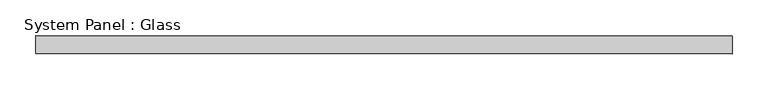
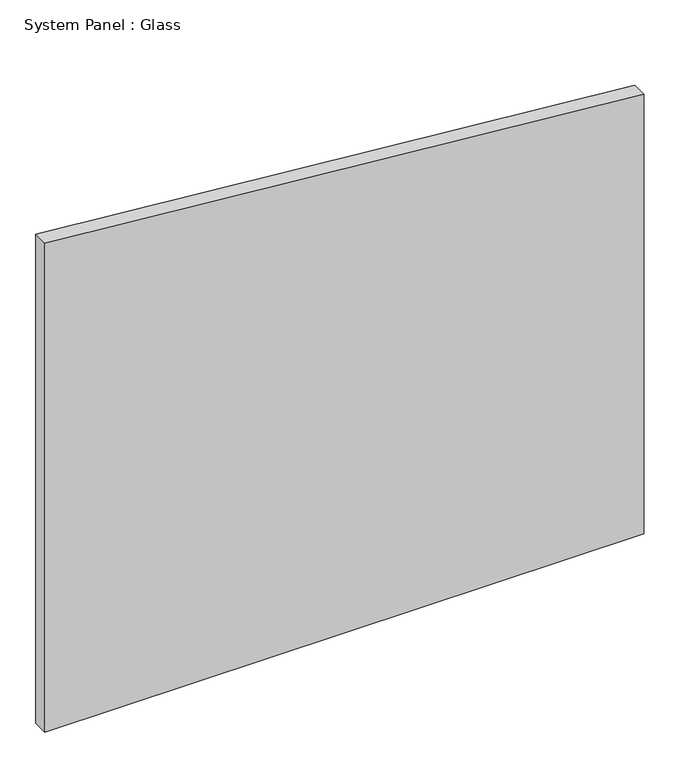
"""IFC4 building model written with IfcOpenShell, lengths in millimetres: plate geometry, System Panel : Glass."""

from ifc_helpers import new_model, si_unit, frame, origin, place, context, project, spatial, polyline, outline, extrude, source, transform, mapped, element, save


def system_panel_glass_c6728fec(model_context):
    return source(origin(), model_context, "Body", "SweptSolid", [
        extrude(outline(polyline([(0.0, -483.3333334), (0.0, 483.3333334), (748.7890697, 483.3333334), (833.3614444, -483.3333334), (0.0, -483.3333334)])), frame((0.0, 24.5, 0.0), z_axis=(0.0, 1.0, 0.0), x_axis=(0.0, 0.0, 1.0)), (0.0, 0.0, 1.0), 25.0),
    ])


if __name__ == "__main__":
    model = new_model("IFC4")
    model_context = context("Model", 3, world=origin())
    ifc_project = project(units=[si_unit("LENGTHUNIT", "METRE", prefix="MILLI")], contexts=[model_context])
    site = spatial("IfcSite", under=ifc_project)
    building = spatial("IfcBuilding", under=site)
    placement = place(None, origin())
    system_panel_glass_shape = system_panel_glass_c6728fec(model_context)
    element("IfcPlate", 1, ObjectType="System Panel : Glass", at=placement, inside=building, context=model_context, shape_type="MappedRepresentation", body=[
        mapped(system_panel_glass_shape, transform((0.0, 0.0, 0.0), x_axis=(1.0, 0.0, 0.0), y_axis=(0.0, 1.0, 0.0), z_axis=(0.0, 0.0, 1.0))),
    ])
    save(model, "model.ifc")
